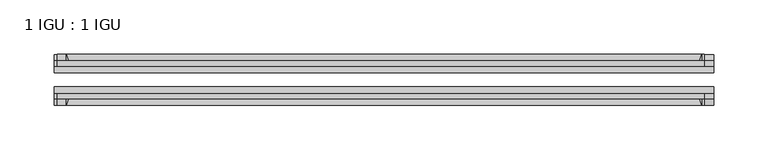
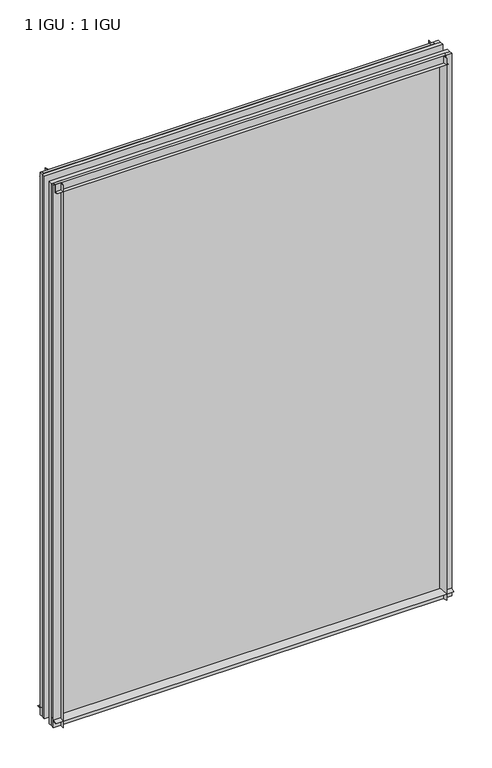
"""IFC4 building model written with IfcOpenShell, lengths in millimetres: plate geometry, 1 IGU : 1 IGU."""

from ifc_helpers import new_model, si_unit, point, frame, frame_2d, origin, place, context, project, spatial, polyline, circle_curve, trimmed, segment, composite_curve, outline, extrude, source, transform, mapped, element, save


def plate_1_igu_1_igu_4af82c82(model_context):
    return source(origin(), model_context, "Body", "SweptSolid", [
        extrude(outline(composite_curve([segment(trimmed(circle_curve(frame_2d((-28.0741797, 32.2797688)), 32.7673262), [point((-44.45, 3.8979053))], [point((-33.7058, 1.48e-05))], True, "CARTESIAN"), True, "CONTINUOUS"), segment(polyline([(-33.7058, 1.48e-05), (-39.6748, 1.48e-05), (-39.6748, -10.31875), (-44.45, -10.31875), (-44.45, 3.8979053)]), True, "CONTINUOUS")], self_intersect=False)), frame((-303.2121031, 0.0, 0.0), z_axis=(1.0, 0.0, 0.0), x_axis=(0.0, 1.0, 0.0)), (0.0, 0.0, 1.0), 606.4242063),
        extrude(outline(composite_curve([segment(trimmed(circle_curve(frame_2d((-86.2258203, 32.2797602)), 32.7673262), [point((-80.5942354, 0.0))], [point((-69.85, 3.8978967))], True, "CARTESIAN"), True, "CONTINUOUS"), segment(polyline([(-69.85, 3.8978967), (-69.85, -10.31875), (-74.6252, -10.31875), (-74.6252, 0.0), (-80.5942354, 0.0)]), True, "CONTINUOUS")], self_intersect=False)), frame((-303.2121031, 0.0, 0.0), z_axis=(1.0, 0.0, 0.0), x_axis=(0.0, 1.0, 0.0)), (0.0, 0.0, 1.0), 606.4242063),
        extrude(outline(composite_curve([segment(polyline([(-80.5942, 850.9), (-74.6252, 850.9), (-74.6252, 862.0125), (-69.85, 862.0125), (-69.85, 847.0021095)]), True, "CONTINUOUS"), segment(trimmed(circle_curve(frame_2d((-86.2258203, 818.620246)), 32.7673262), [point((-69.85, 847.0021095))], [point((-80.5942, 850.9))], True, "CARTESIAN"), True, "CONTINUOUS")], self_intersect=False)), frame((-300.6123418, 0.0, 0.0), z_axis=(1.0, 0.0, 0.0), x_axis=(0.0, 1.0, 0.0)), (0.0, 0.0, 1.0), 595.2579064),
        extrude(outline(composite_curve([segment(polyline([(-39.6748, 862.0125), (-39.6748, 850.9), (-33.7058, 850.9)]), True, "CONTINUOUS"), segment(trimmed(circle_curve(frame_2d((-28.0741797, 818.620246)), 32.7673262), [point((-33.7058, 850.9))], [point((-44.45, 847.0021095))], True, "CARTESIAN"), True, "CONTINUOUS"), segment(polyline([(-44.45, 847.0021095), (-44.45, 862.0125), (-39.6748, 862.0125)]), True, "CONTINUOUS")], self_intersect=False)), frame((-300.6123418, 0.0, 0.0), z_axis=(1.0, 0.0, 0.0), x_axis=(0.0, 1.0, 0.0)), (0.0, 0.0, 1.0), 595.2579064),
        extrude(outline(composite_curve([segment(polyline([(303.2121031, -39.6748), (303.2121031, -44.45), (288.2017126, -44.45)]), True, "CONTINUOUS"), segment(trimmed(circle_curve(frame_2d((259.8198492, -28.0741797)), 32.7673262), [point((288.2017126, -44.45))], [point((292.0996031, -33.7058))], True, "CARTESIAN"), True, "CONTINUOUS"), segment(polyline([(292.0996031, -33.7058), (292.0996031, -39.6748), (303.2121031, -39.6748)]), True, "CONTINUOUS")], self_intersect=False)), frame((0.0, 0.0, -10.31875), z_axis=(0.0, 0.0, 1.0), x_axis=(1.0, 0.0, 0.0)), (0.0, 0.0, 1.0), 872.33125),
        extrude(outline(composite_curve([segment(polyline([(303.2121031, -69.85), (303.2121031, -74.6252), (292.0996031, -74.6252), (292.0996031, -80.5942)]), True, "CONTINUOUS"), segment(trimmed(circle_curve(frame_2d((259.8198492, -86.2258203)), 32.7673262), [point((292.0996031, -80.5942))], [point((288.2017126, -69.85))], True, "CARTESIAN"), True, "CONTINUOUS"), segment(polyline([(288.2017126, -69.85), (303.2121031, -69.85)]), True, "CONTINUOUS")], self_intersect=False)), frame((0.0, 0.0, -10.31875), z_axis=(0.0, 0.0, 1.0), x_axis=(1.0, 0.0, 0.0)), (0.0, 0.0, 1.0), 872.33125),
        extrude(outline(composite_curve([segment(polyline([(-303.2121031, -39.6748), (-292.0996031, -39.6748), (-292.0996031, -33.7058)]), True, "CONTINUOUS"), segment(trimmed(circle_curve(frame_2d((-259.8198492, -28.0741797)), 32.7673262), [point((-292.0996031, -33.7058))], [point((-288.2017126, -44.45))], True, "CARTESIAN"), True, "CONTINUOUS"), segment(polyline([(-288.2017126, -44.45), (-303.2121031, -44.45), (-303.2121031, -39.6748)]), True, "CONTINUOUS")], self_intersect=False)), frame((0.0, 0.0, -10.31875), z_axis=(0.0, 0.0, 1.0), x_axis=(1.0, 0.0, 0.0)), (0.0, 0.0, 1.0), 872.33125),
        extrude(outline(composite_curve([segment(polyline([(-303.2121031, -74.6252), (-303.2121031, -69.85), (-288.2017126, -69.85)]), True, "CONTINUOUS"), segment(trimmed(circle_curve(frame_2d((-259.8198492, -86.2258203)), 32.7673262), [point((-288.2017126, -69.85))], [point((-292.0996031, -80.5942))], True, "CARTESIAN"), True, "CONTINUOUS"), segment(polyline([(-292.0996031, -80.5942), (-292.0996031, -74.6252), (-303.2121031, -74.6252)]), True, "CONTINUOUS")], self_intersect=False)), frame((0.0, 0.0, -10.31875), z_axis=(0.0, 0.0, 1.0), x_axis=(1.0, 0.0, 0.0)), (0.0, 0.0, 1.0), 872.33125),
        extrude(outline(polyline([(-303.2121031, -69.85), (-303.2121031, -63.5508), (303.2121031, -63.5508), (303.2121031, -69.85), (-303.2121031, -69.85)])), frame((0.0, 0.0, -10.31875), z_axis=(0.0, 0.0, 1.0), x_axis=(1.0, 0.0, 0.0)), (0.0, 0.0, 1.0), 872.33125),
        extrude(outline(polyline([(303.2121031, -50.7492), (-303.2121031, -50.7492), (-303.2121031, -44.45), (303.2121031, -44.45), (303.2121031, -50.7492)])), frame((0.0, 0.0, -10.31875), z_axis=(0.0, 0.0, 1.0), x_axis=(1.0, 0.0, 0.0)), (0.0, 0.0, 1.0), 872.33125),
    ])


if __name__ == "__main__":
    model = new_model("IFC4")
    model_context = context("Model", 3, world=origin())
    ifc_project = project(units=[si_unit("LENGTHUNIT", "METRE", prefix="MILLI")], contexts=[model_context])
    site = spatial("IfcSite", under=ifc_project)
    building = spatial("IfcBuilding", under=site)
    placement = place(None, origin())
    plate_1_igu_1_igu_shape = plate_1_igu_1_igu_4af82c82(model_context)
    element("IfcPlate", 1, ObjectType="1 IGU : 1 IGU", at=placement, inside=building, context=model_context, shape_type="MappedRepresentation", body=[
        mapped(plate_1_igu_1_igu_shape, transform((0.0, 0.0, 0.0), x_axis=(1.0, 0.0, 0.0), y_axis=(0.0, 1.0, 0.0), z_axis=(0.0, 0.0, 1.0))),
    ])
    save(model, "model.ifc")
